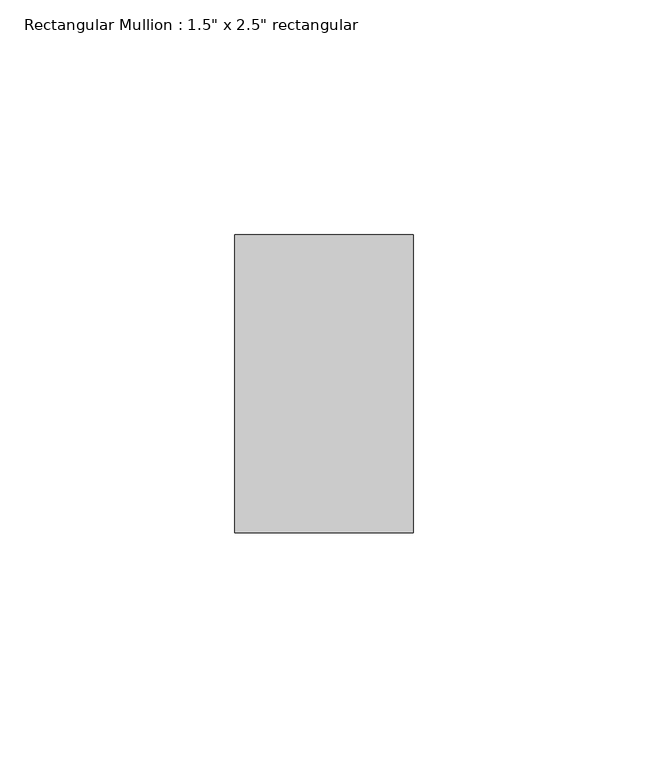
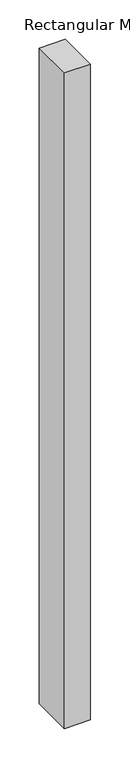
"""IFC4 building model written with IfcOpenShell, lengths in millimetres: member geometry."""

import ifcopenshell
import ifcopenshell.guid

model = None  # the IFC model being written
_history = None  # IfcOwnerHistory: only IFC2X3 demands one
_inside = {}  # id of a spatial element -> (the spatial element, [elements in it])
_under = {}  # id of a project, library or spatial element -> (it, [spatial elements below it])
_declared = {}  # id of a project -> (the project, [libraries it declares])
_typed = {}  # id of a type object -> (the type object, [elements of that type])
_made_of = {}  # id of a material, layer set ... -> (it, [elements and type objects made of it])


def new_model(schema):
    """Start an empty IFC model of exactly this schema.

    Asked for "IFC4X3", IfcOpenShell would pick the latest addendum, in which some entities
    have other attributes; the version numbers below select the first issue.
    IFC2X3 requires an IfcOwnerHistory on every rooted entity: one is made here for all.
    """
    global model, _history
    if schema == "IFC4X3":
        model = ifcopenshell.file(schema_version=(4, 3, 0, 0))
    else:
        model = ifcopenshell.file(schema=schema)
    _inside.clear()
    _under.clear()
    _declared.clear()
    _typed.clear()
    _made_of.clear()
    _history = None
    if model.schema == "IFC2X3":
        org = make("IfcOrganization", Name="unknown")
        user = make(
            "IfcPersonAndOrganization",
            ThePerson=make("IfcPerson", FamilyName="unknown"),
            TheOrganization=org,
        )
        app = make(
            "IfcApplication",
            ApplicationDeveloper=org,
            Version="unknown",
            ApplicationFullName="unknown",
            ApplicationIdentifier="unknown",
        )
        _history = make(
            "IfcOwnerHistory",
            OwningUser=user,
            OwningApplication=app,
            ChangeAction="ADDED",
            CreationDate=0,
        )
    return model


def make(cls, **values):
    """One entity of the class cls with the attributes given. An attribute that is None is left unset."""
    return model.create_entity(
        cls, **{name: value for name, value in values.items() if value is not None}
    )


def rooted(cls, **values):
    """An entity with a GlobalId (a new one), such as an element, a storey or a relation."""
    return make(cls, GlobalId=ifcopenshell.guid.new(), OwnerHistory=_history, **values)


def si_unit(unit_type, name, prefix=None):
    """IfcSIUnit, for example si_unit("LENGTHUNIT", "METRE", prefix="MILLI")."""
    return make("IfcSIUnit", UnitType=unit_type, Prefix=prefix, Name=name)


def assignment(units):
    """IfcUnitAssignment: the units of a project."""
    return None if units is None else make("IfcUnitAssignment", Units=units)


def point(xyz):
    """IfcCartesianPoint."""
    return None if xyz is None else make("IfcCartesianPoint", Coordinates=xyz)


def direction(xyz):
    """IfcDirection."""
    return None if xyz is None else make("IfcDirection", DirectionRatios=xyz)


def frame(location, z_axis=None, x_axis=None):
    """IfcAxis2Placement3D, a coordinate frame: its origin and axes. An axis left out is left unset."""
    return make(
        "IfcAxis2Placement3D",
        Location=point(location),
        Axis=direction(z_axis),
        RefDirection=direction(x_axis),
    )


def origin():
    """The frame at (0, 0, 0) with its axes left unset."""
    return frame((0.0, 0.0, 0.0))


def place(relative_to, where):
    """IfcLocalPlacement: puts the frame where relative to a parent placement (None: the world)."""
    return make(
        "IfcLocalPlacement", PlacementRelTo=relative_to, RelativePlacement=where
    )


def context(
    kind, dimensions, precision=None, world=None, true_north=None, identifier=None
):
    """IfcGeometricRepresentationContext, for example the 3D "Model" context."""
    return make(
        "IfcGeometricRepresentationContext",
        ContextIdentifier=identifier,
        ContextType=kind,
        CoordinateSpaceDimension=dimensions,
        Precision=precision,
        WorldCoordinateSystem=world,
        TrueNorth=true_north,
    )


def project(units=None, contexts=None):
    """IfcProject with its units and contexts."""
    return rooted(
        "IfcProject",
        Name="project",
        RepresentationContexts=contexts,
        UnitsInContext=assignment(units),
    )


def spatial(cls, under=None, at=None, **own):
    """A site, building, storey or space (cls), placed at a placement, below another one or the project."""
    s = rooted(cls, ObjectPlacement=at, **own)
    if under is not None:
        _under.setdefault(under.id(), (under, []))[1].append(s)
    return s


def polyline(points):
    """IfcPolyline through the points."""
    return make("IfcPolyline", Points=[point(p) for p in points])


def outline(outer, holes=None, kind="AREA"):
    """IfcArbitraryClosedProfileDef: a profile drawn as a closed curve; with holes, ...WithVoids."""
    if holes is None:
        return make("IfcArbitraryClosedProfileDef", ProfileType=kind, OuterCurve=outer)
    return make(
        "IfcArbitraryProfileDefWithVoids",
        ProfileType=kind,
        OuterCurve=outer,
        InnerCurves=holes,
    )


def extrude(swept, where, along, depth):
    """IfcExtrudedAreaSolid: the profile swept, set in the frame where, extruded along a direction by depth."""
    return make(
        "IfcExtrudedAreaSolid",
        SweptArea=swept,
        Position=where,
        ExtrudedDirection=direction(along),
        Depth=depth,
    )


def shape(context_of_items, identifier, shape_type, items):
    """IfcShapeRepresentation: the items that make up one representation, for example the "Body"."""
    return make(
        "IfcShapeRepresentation",
        ContextOfItems=context_of_items,
        RepresentationIdentifier=identifier,
        RepresentationType=shape_type,
        Items=items,
    )


def source(mapping_origin, context_of_items, identifier, shape_type, items):
    """IfcRepresentationMap: a shape defined once, which mapped items show again and again."""
    return make(
        "IfcRepresentationMap",
        MappingOrigin=mapping_origin,
        MappedRepresentation=shape(context_of_items, identifier, shape_type, items),
    )


def transform(
    local_origin,
    x_axis=None,
    y_axis=None,
    z_axis=None,
    scale=None,
    scale2=None,
    scale3=None,
    uniform=True,
):
    """IfcCartesianTransformationOperator3D, or its non-uniform kind. x_axis, y_axis, z_axis: its Axis1, 2, 3."""
    if uniform:
        return make(
            "IfcCartesianTransformationOperator3D",
            Axis1=direction(x_axis),
            Axis2=direction(y_axis),
            LocalOrigin=point(local_origin),
            Scale=scale,
            Axis3=direction(z_axis),
        )
    return make(
        "IfcCartesianTransformationOperator3DnonUniform",
        Axis1=direction(x_axis),
        Axis2=direction(y_axis),
        LocalOrigin=point(local_origin),
        Scale=scale,
        Axis3=direction(z_axis),
        Scale2=scale2,
        Scale3=scale3,
    )


def mapped(mapping_source, mapping_target):
    """IfcMappedItem: shows the shape of a source again, moved by a transform."""
    return make(
        "IfcMappedItem", MappingSource=mapping_source, MappingTarget=mapping_target
    )


def made_of(thing, what):
    """Note that an element or type object is made of a material, layer set ...; save() writes the relation."""
    if what is not None:
        _made_of.setdefault(what.id(), (what, []))[1].append(thing)
    return thing


def element(
    cls,
    number,
    at=None,
    inside=None,
    cuts=None,
    type_object=None,
    material=None,
    context=None,
    identifier="Body",
    shape_type=None,
    held_by="IfcProductDefinitionShape",
    body=None,
    shapes=None,
    **own,
):
    """One element of the class cls, such as IfcWall. Its Tag is "e" and its number.

    at: its placement. inside: the storey or other place that contains it. cuts: it is an
    opening in that element (IfcRelVoidsElement). A single representation is given by context,
    identifier, shape_type and body (its items); several are given by shapes. held_by: the class
    of the entity that holds the representations. save() writes the other relations.
    """
    e = rooted(cls, Tag="e%d" % number, ObjectPlacement=at, **own)
    if body is not None:
        shapes = [shape(context, identifier, shape_type, body)]
    if shapes is not None:
        e.Representation = make(held_by, Representations=shapes)
    if inside is not None:
        _inside.setdefault(inside.id(), (inside, []))[1].append(e)
    if cuts is not None:
        rooted(
            "IfcRelVoidsElement", RelatingBuildingElement=cuts, RelatedOpeningElement=e
        )
    if type_object is not None:
        _typed.setdefault(type_object.id(), (type_object, []))[1].append(e)
    return made_of(e, material)


def aggregate(whole, parts):
    """IfcRelAggregates: a whole, such as a stair, and the parts it consists of."""
    return rooted("IfcRelAggregates", RelatingObject=whole, RelatedObjects=parts)


def save(model, path):
    """Write the relations noted so far, then the file.

    IfcRelAggregates (storeys below a building ...), IfcRelContainedInSpatialStructure (elements
    in a storey), IfcRelDefinesByType, IfcRelAssociatesMaterial and IfcRelDeclares: one each for
    every whole, place, type object, material and project.
    """
    for whole, parts in _under.values():
        aggregate(whole, parts)
    for where, things in _inside.values():
        rooted(
            "IfcRelContainedInSpatialStructure",
            RelatedElements=things,
            RelatingStructure=where,
        )
    for kind, things in _typed.values():
        rooted("IfcRelDefinesByType", RelatedObjects=things, RelatingType=kind)
    for what, things in _made_of.values():
        rooted("IfcRelAssociatesMaterial", RelatedObjects=things, RelatingMaterial=what)
    for by, libraries in _declared.values():
        rooted("IfcRelDeclares", RelatingContext=by, RelatedDefinitions=libraries)
    model.write(path)


def member_f4f0097f(model_context):
    return source(origin(), model_context, "Body", "SweptSolid", [
        extrude(outline(polyline([(19.05, -19.05), (19.05, -82.55), (-19.05, -82.55), (-19.05, -19.05), (19.05, -19.05)])), frame((0.0, 0.0, -1016.0), z_axis=(0.0, 0.0, 1.0), x_axis=(1.0, 0.0, 0.0)), (0.0, 0.0, 1.0), 1016.0),
    ])


if __name__ == "__main__":
    model = new_model("IFC4")
    model_context = context("Model", 3, world=origin())
    ifc_project = project(units=[si_unit("LENGTHUNIT", "METRE", prefix="MILLI")], contexts=[model_context])
    site = spatial("IfcSite", under=ifc_project)
    building = spatial("IfcBuilding", under=site)
    placement = place(None, origin())
    member_shape = member_f4f0097f(model_context)
    element("IfcMember", 1, ObjectType="Rectangular Mullion : 1.5\" x 2.5\" rectangular", at=placement, inside=building, context=model_context, shape_type="MappedRepresentation", body=[
        mapped(member_shape, transform((0.0, 0.0, 0.0), x_axis=(1.0, 0.0, 0.0), y_axis=(0.0, 1.0, 0.0), z_axis=(0.0, 0.0, 1.0))),
    ])
    save(model, "model.ifc")
